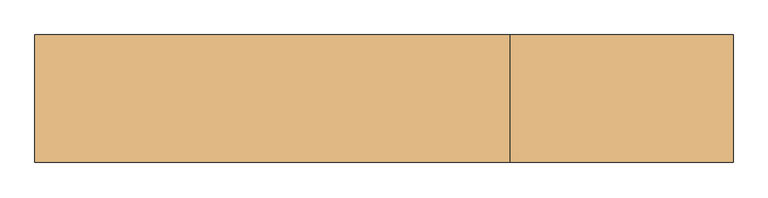
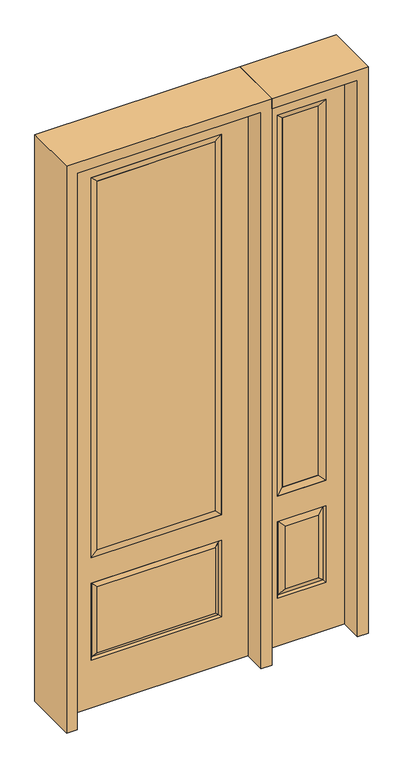
"""IFC4 building model written with IfcOpenShell, lengths in millimetres: door geometry."""

from ifc_helpers import new_model, si_unit, frame, origin, place, context, project, spatial, polyline, outline, extrude, faceted_brep, source, transform, mapped, element, save


def door_d3e00e22(model_context):
    return source(origin(), model_context, "Body", "SolidModel", [
        faceted_brep([(425.45, -22.225, 0.0), (781.05, -22.225, 0.0), (781.05, -22.225, 2438.4), (425.45, -22.225, 2438.4), (703.58, -22.225, 2325.624), (703.58, -22.225, 657.098), (502.92, -22.225, 657.098), (502.92, -22.225, 2325.624), (703.58, -22.225, 209.55), (502.92, -22.225, 209.55), (502.92, -22.225, 546.1), (703.58, -22.225, 546.1), (534.6351001, -22.225, 241.2651001), (671.8648999, -22.225, 241.2651001), (671.8648999, -22.225, 514.3848999), (534.6351001, -22.225, 514.3848999), (425.45, 22.225, 0.0), (425.45, 22.225, 2438.4), (781.05, 22.225, 2438.4), (781.05, 22.225, 0.0), (703.58, 22.225, 2325.624), (502.92, 22.225, 2325.624), (502.92, 22.225, 657.098), (703.58, 22.225, 657.098), (502.92, 22.225, 209.55), (703.58, 22.225, 209.55), (703.58, 22.225, 546.1), (502.92, 22.225, 546.1), (671.8648999, 22.225, 241.2651001), (534.6351001, 22.225, 241.2651001), (534.6351001, 22.225, 514.3848999), (671.8648999, 22.225, 514.3848999), (696.4711499, 12.7912373, 216.6588501), (510.0288501, 12.7912373, 216.6588501), (510.0288501, 12.7912373, 538.9911499), (696.4711499, 12.7912373, 538.9911499), (510.0288501, -12.7912373, 216.6588501), (696.4711499, -12.7912373, 216.6588501), (510.0288501, -12.7912373, 538.9911499), (696.4711499, -12.7912373, 538.9911499)], [[[0, 1, 2, 3], [4, 5, 6, 7], [8, 9, 10, 11]], [[12, 13, 14, 15]], [[16, 17, 18, 19], [20, 21, 22, 23], [24, 25, 26, 27]], [[28, 29, 30, 31]], [[1, 0, 16, 19]], [[2, 1, 19, 18]], [[3, 2, 18, 17]], [[0, 3, 17, 16]], [[5, 4, 20, 23]], [[6, 5, 23, 22]], [[7, 6, 22, 21]], [[4, 7, 21, 20]], [[32, 33, 29, 28]], [[33, 32, 25, 24]], [[29, 33, 34, 30]], [[33, 24, 27, 34]], [[30, 34, 35, 31]], [[34, 27, 26, 35]], [[32, 28, 31, 35]], [[25, 32, 35, 26]], [[12, 36, 37, 13]], [[37, 36, 9, 8]], [[36, 12, 15, 38]], [[9, 36, 38, 10]], [[38, 15, 14, 39]], [[10, 38, 39, 11]], [[13, 37, 39, 14]], [[37, 8, 11, 39]]]),
        faceted_brep([(502.92, 22.225, 2325.624), (502.92, -22.225, 2325.624), (703.58, -22.225, 2325.624), (703.58, 22.225, 2325.624), (528.32, 12.7, 2300.224), (678.18, 12.7, 2300.224), (528.32, -12.7, 2300.224), (678.18, -12.7, 2300.224), (703.58, -22.225, 657.098), (703.58, 22.225, 657.098), (678.18, 12.7, 682.498), (678.18, -12.7, 682.498), (502.92, -22.225, 657.098), (502.92, 22.225, 657.098), (528.32, 12.7, 682.498), (528.32, -12.7, 682.498)], [[[0, 1, 2, 3]], [[4, 0, 3, 5]], [[6, 4, 5, 7]], [[1, 6, 7, 2]], [[3, 2, 8, 9]], [[5, 3, 9, 10]], [[7, 5, 10, 11]], [[2, 7, 11, 8]], [[9, 8, 12, 13]], [[10, 9, 13, 14]], [[11, 10, 14, 15]], [[8, 11, 15, 12]], [[13, 12, 1, 0]], [[14, 13, 0, 4]], [[15, 14, 4, 6]], [[12, 15, 6, 1]]]),
        extrude(outline(polyline([(678.18, -12.7), (528.32, -12.7), (528.32, 12.7), (678.18, 12.7), (678.18, -12.7)])), frame((0.0, 0.0, 682.498), z_axis=(0.0, 0.0, 1.0), x_axis=(1.0, 0.0, 0.0)), (0.0, 0.0, 1.0), 1617.726),
        extrude(outline(polyline([(244.475, -20.32), (-244.475, -20.32), (-244.475, 5.08), (244.475, 5.08), (244.475, -20.32)])), frame((0.0, 0.0, 682.498), z_axis=(0.0, 0.0, 1.0), x_axis=(1.0, 0.0, 0.0)), (0.0, 0.0, 1.0), 1616.202),
        faceted_brep([(-262.7661499, -12.7912373, 216.6588501), (262.7661499, -12.7912373, 216.6588501), (245.26875, -22.225, 234.15625), (-245.26875, -22.225, 234.15625), (-269.875, -22.225, 209.55), (269.875, -22.225, 209.55), (-262.7661499, -12.7912373, 538.9911499), (-269.875, -22.225, 546.1), (245.26875, -22.225, 521.49375), (-245.26875, -22.225, 521.49375), (381.0, -22.225, 2438.4), (-381.0, -22.225, 2438.4), (-381.0, -22.225, 0.0), (381.0, -22.225, 0.0), (269.875, -22.225, 546.1), (269.875, -22.225, 2324.1), (269.875, -22.225, 657.098), (-269.875, -22.225, 657.098), (-269.875, -22.225, 2324.1), (262.7661499, -12.7912373, 538.9911499), (-381.0, 22.225, 2438.4), (-381.0, 22.225, 0.0), (381.0, 22.225, 0.0), (381.0, 22.225, 2438.4), (269.875, 22.225, 2324.1), (269.875, 22.225, 657.098), (-269.875, 22.225, 657.098), (-269.875, 22.225, 2324.1), (-269.875, 22.225, 209.55), (269.875, 22.225, 209.55), (269.875, 22.225, 546.1), (-269.875, 22.225, 546.1), (245.26875, 22.225, 234.15625), (-245.26875, 22.225, 234.15625), (-245.26875, 22.225, 521.49375), (245.26875, 22.225, 521.49375), (-262.7661499, 12.7912373, 216.6588501), (262.7661499, 12.7912373, 216.6588501), (262.7661499, 12.7912373, 538.9911499), (-262.7661499, 12.7912373, 538.9911499)], [[[0, 1, 2, 3]], [[1, 0, 4, 5]], [[4, 0, 6, 7]], [[3, 2, 8, 9]], [[10, 11, 12, 13], [5, 4, 7, 14], [15, 16, 17, 18]], [[1, 5, 14, 19]], [[2, 1, 19, 8]], [[0, 3, 9, 6]], [[7, 6, 19, 14]], [[6, 9, 8, 19]], [[12, 11, 20, 21]], [[13, 12, 21, 22]], [[10, 13, 22, 23]], [[16, 15, 24, 25]], [[17, 16, 25, 26]], [[18, 17, 26, 27]], [[23, 22, 21, 20], [28, 29, 30, 31], [24, 27, 26, 25]], [[32, 33, 34, 35]], [[28, 36, 37, 29]], [[29, 37, 38, 30]], [[39, 31, 30, 38]], [[36, 28, 31, 39]], [[37, 36, 33, 32]], [[33, 36, 39, 34]], [[34, 39, 38, 35]], [[37, 32, 35, 38]], [[11, 10, 23, 20]], [[15, 18, 27, 24]]]),
        faceted_brep([(-269.875, -22.225, 2324.1), (-269.875, 22.225, 2324.1), (-269.875, 22.225, 657.098), (-269.875, -22.225, 657.098), (269.875, 22.225, 657.098), (269.875, -22.225, 657.098), (-244.475, 5.08, 682.498), (244.475, 5.08, 682.498), (269.875, 22.225, 2324.1), (269.875, -22.225, 2324.1), (-244.475, -20.32, 682.498), (244.475, -20.32, 682.498), (-244.475, -20.32, 2298.7), (244.475, -20.32, 2298.7), (-244.475, 5.08, 2298.7), (244.475, 5.08, 2298.7)], [[[0, 1, 2, 3]], [[3, 2, 4, 5]], [[2, 6, 7, 4]], [[5, 4, 8, 9]], [[10, 3, 5, 11]], [[12, 0, 3, 10]], [[11, 5, 9, 13]], [[6, 10, 11, 7]], [[14, 12, 10, 6]], [[7, 11, 13, 15]], [[1, 14, 6, 2]], [[4, 7, 15, 8]], [[9, 8, 1, 0]], [[13, 9, 0, 12]], [[15, 13, 12, 14]], [[8, 15, 14, 1]]]),
        extrude(outline(polyline([(2482.85, -425.45), (0.0, -425.45), (0.0, -381.0), (2438.4, -381.0), (2438.4, 381.0), (0.0, 381.0), (0.0, 425.45), (2482.85, 425.45), (2482.85, -425.45)])), frame((0.0, -114.3, 0.0), z_axis=(0.0, 1.0, 0.0), x_axis=(0.0, 0.0, 1.0)), (0.0, 0.0, 1.0), 228.6),
        extrude(outline(polyline([(0.0, 781.05), (0.0, 825.5), (2482.85, 825.5), (2482.85, 425.45), (2438.4, 425.45), (2438.4, 781.05), (0.0, 781.05)])), frame((0.0, -114.3, 0.0), z_axis=(0.0, 1.0, 0.0), x_axis=(0.0, 0.0, 1.0)), (0.0, 0.0, 1.0), 228.6),
    ])


if __name__ == "__main__":
    model = new_model("IFC4")
    model_context = context("Model", 3, world=origin())
    ifc_project = project(units=[si_unit("LENGTHUNIT", "METRE", prefix="MILLI")], contexts=[model_context])
    site = spatial("IfcSite", under=ifc_project)
    building = spatial("IfcBuilding", under=site)
    placement = place(None, origin())
    door_shape = door_d3e00e22(model_context)
    element("IfcDoor", 1, at=placement, inside=building, context=model_context, shape_type="MappedRepresentation", body=[
        mapped(door_shape, transform((0.0, 0.0, 0.0), x_axis=(1.0, 0.0, 0.0), y_axis=(0.0, 1.0, 0.0), z_axis=(0.0, 0.0, 1.0))),
    ])
    save(model, "model.ifc")
